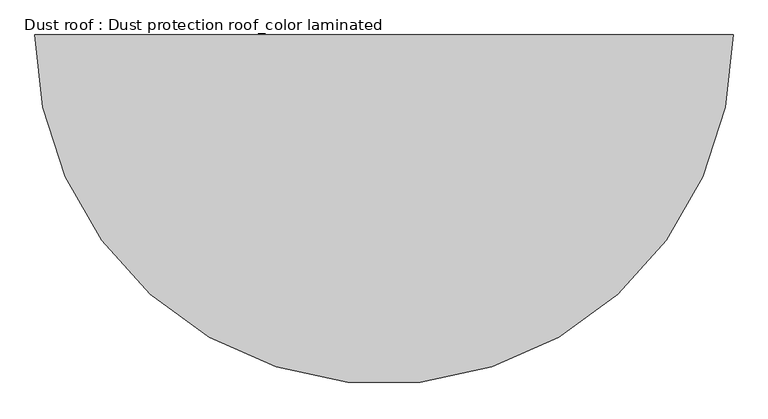
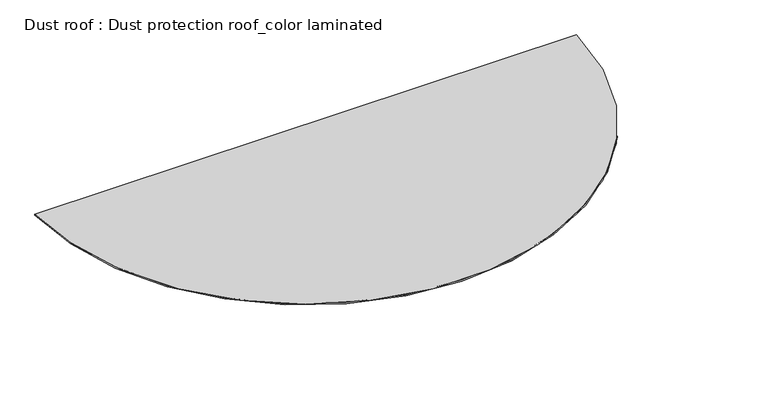
"""IFC4 building model written with IfcOpenShell, lengths in millimetres: proxy geometry, Dust roof : Dust protection roof_color laminated."""

from ifc_helpers import new_model, si_unit, point, origin, origin_with_axes, origin_2d, place, context, project, spatial, polyline, circle_curve, trimmed, segment, composite_curve, outline, extrude, source, transform, mapped, element, save


def dust_roof_dust_protection_roof_color_laminated_b43e2d95(model_context):
    return source(origin(), model_context, "Body", "SweptSolid", [
        extrude(outline(composite_curve([segment(trimmed(circle_curve(origin_2d(), 2436.0), [point((2436.0, 0.0))], [point((-2436.0, 0.0))], False, "CARTESIAN"), True, "CONTINUOUS"), segment(polyline([(-2436.0, 0.0), (2436.0, 0.0)]), True, "CONTINUOUS")], self_intersect=False)), origin_with_axes(), (0.0, 0.0, 1.0), 10.0),
    ])


if __name__ == "__main__":
    model = new_model("IFC4")
    model_context = context("Model", 3, world=origin())
    ifc_project = project(units=[si_unit("LENGTHUNIT", "METRE", prefix="MILLI")], contexts=[model_context])
    site = spatial("IfcSite", under=ifc_project)
    building = spatial("IfcBuilding", under=site)
    placement = place(None, origin())
    dust_roof_dust_protection_roof_color_laminated_shape = dust_roof_dust_protection_roof_color_laminated_b43e2d95(model_context)
    element("IfcBuildingElementProxy", 1, Name="Dust roof : Dust protection roof_color laminated", ObjectType="Dust roof : Dust protection roof_color laminated", at=placement, inside=building, context=model_context, shape_type="MappedRepresentation", body=[
        mapped(dust_roof_dust_protection_roof_color_laminated_shape, transform((0.0, 0.0, 0.0), x_axis=(1.0, 0.0, 0.0), y_axis=(0.0, 1.0, 0.0), z_axis=(0.0, 0.0, 1.0))),
    ])
    save(model, "model.ifc")
